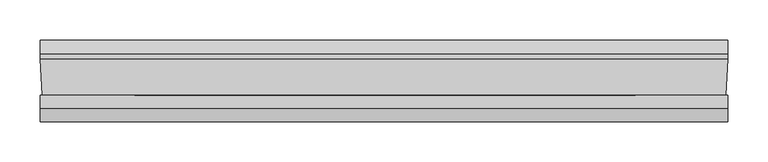
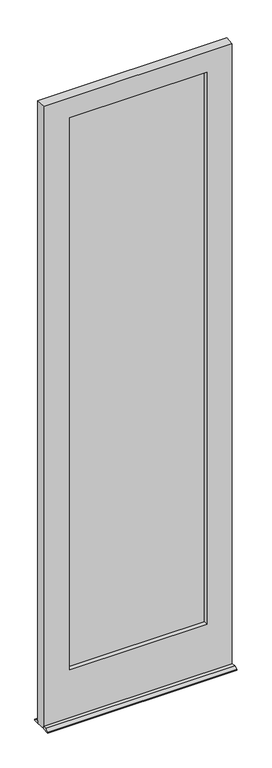
"""IFC4 building model written with IfcOpenShell, lengths in millimetres: plate geometry."""

from ifc_helpers import new_model, si_unit, frame, origin, place, context, project, spatial, polyline, outline, extrude, faceted_brep, source, transform, mapped, element, save


def plate_f65969fd(model_context):
    return source(origin(), model_context, "Body", "SolidModel", [
        extrude(outline(polyline([(-319.7458933, -17.9617688), (-319.7458933, -14.7867688), (328.6124637, -14.7867688), (328.6124637, -17.9617688), (-319.7458933, -17.9617688)])), frame((0.0, 0.0, 226.615625), z_axis=(0.0, 0.0, 1.0), x_axis=(1.0, 0.0, 0.0)), (0.0, 0.0, 1.0), 2676.128125),
        extrude(outline(polyline([(-319.7458933, -22.5258312), (328.6124637, -22.5258312), (328.6124637, -25.7008312), (-319.7458933, -25.7008312), (-319.7458933, -22.5258312)])), frame((0.0, 0.0, 226.615625), z_axis=(0.0, 0.0, 1.0), x_axis=(1.0, 0.0, 0.0)), (0.0, 0.0, 1.0), 2676.128125),
        faceted_brep([(429.4187863, -47.625064, 12.7), (429.4187863, -64.2874, 12.7), (429.4187863, -80.9752454, 4.9183299), (429.4187863, -80.9752454, 0.0003044), (429.4187863, -47.625064, 0.0003044), (429.4187863, 20.6248454, 0.0003044), (429.4187863, 20.6248454, 4.9183299), (429.4187863, 3.937, 12.7), (429.4187863, -3.175064, 12.7), (429.4187863, -3.175064, 0.0003044), (-429.3952447, -3.175064, 12.7), (-429.3952447, 3.937, 12.7), (-429.3952447, 20.6248454, 4.9183299), (-429.3952447, 20.6248454, 0.0003044), (-429.3952447, -3.175064, 0.0003044), (-429.3952447, -80.9752454, 0.0003044), (-429.3952447, -80.9752454, 4.9183299), (-429.3952447, -64.2874, 12.7), (-429.3952447, -47.625064, 12.7), (-429.3952447, -47.625064, 0.0003044), (328.6124637, -14.7867688, 226.615625), (-319.7458933, -14.7867688, 226.615625), (-319.7458933, -25.7008312, 226.615625), (328.6124637, -25.7008312, 226.615625), (-319.7458933, -25.7008313, 2902.74375), (328.6124637, -25.7008313, 2902.74375), (-311.0084421, -25.7008313, 2887.6752), (-311.0084421, -25.7008312, 241.2869956), (313.5443125, -25.7008312, 241.2869956), (313.5443125, -25.7008313, 2887.6752), (-311.0084421, -47.625064, 241.2869956), (313.5443125, -47.625064, 241.2869956), (-426.6266447, -47.625064, 2985.29375), (-426.6266447, -47.625064, 12.7), (426.6501863, -47.625064, 12.7), (426.6501863, -47.625064, 2985.29375), (-311.0084421, -47.625064, 2887.6752), (313.5443125, -47.625064, 2887.6752), (-426.6266447, -47.625064, 0.0003044), (426.6501863, -47.625064, 0.0003044), (-429.3952447, -3.175064, 2985.29375), (429.4187863, -3.175064, 2985.29375), (-308.76875, -3.175064, 246.0621956), (308.76875, -3.175064, 246.0621956), (308.76875, -3.175064, 2882.9), (-308.76875, -3.175064, 2882.9), (-308.76875, -14.7867688, 246.0621956), (308.76875, -14.7867688, 246.0621956), (-319.7458933, -14.7867688, 2902.74375), (328.6124637, -14.7867688, 2902.74375), (-308.76875, -14.7867688, 2882.9), (308.76875, -14.7867688, 2882.9)], [[[0, 1, 2, 3, 4]], [[5, 6, 7, 8, 9]], [[10, 11, 12, 13, 14]], [[15, 16, 17, 18, 19]], [[20, 21, 22, 23]], [[22, 24, 25, 23], [26, 27, 28, 29]], [[27, 30, 31, 28]], [[32, 33, 34, 35], [36, 37, 31, 30]], [[1, 0, 34, 33, 18, 17]], [[2, 1, 17, 16]], [[3, 2, 16, 15]], [[3, 15, 19, 38, 14, 13, 5, 9, 39, 4]], [[6, 5, 13, 12]], [[7, 6, 12, 11]], [[10, 8, 7, 11]], [[10, 40, 41, 8], [42, 43, 44, 45]], [[42, 46, 47, 43]], [[48, 21, 20, 49], [46, 50, 51, 47]], [[36, 30, 27, 26]], [[22, 21, 48, 24]], [[42, 45, 50, 46]], [[47, 51, 44, 43]], [[49, 20, 23, 25]], [[31, 37, 29, 28]], [[50, 45, 44, 51]], [[25, 24, 48, 49]], [[36, 26, 29, 37]], [[32, 35, 41, 40]], [[39, 34, 0, 4]], [[35, 34, 39, 9, 8, 41]], [[33, 38, 19, 18]], [[38, 33, 32, 40, 10, 14]]]),
    ])


if __name__ == "__main__":
    model = new_model("IFC4")
    model_context = context("Model", 3, world=origin())
    ifc_project = project(units=[si_unit("LENGTHUNIT", "METRE", prefix="MILLI")], contexts=[model_context])
    site = spatial("IfcSite", under=ifc_project)
    building = spatial("IfcBuilding", under=site)
    placement = place(None, origin())
    plate_shape = plate_f65969fd(model_context)
    element("IfcPlate", 1, at=placement, inside=building, context=model_context, shape_type="MappedRepresentation", body=[
        mapped(plate_shape, transform((0.0, 0.0, 0.0), x_axis=(1.0, 0.0, 0.0), y_axis=(0.0, 1.0, 0.0), z_axis=(0.0, 0.0, 1.0))),
    ])
    save(model, "model.ifc")
